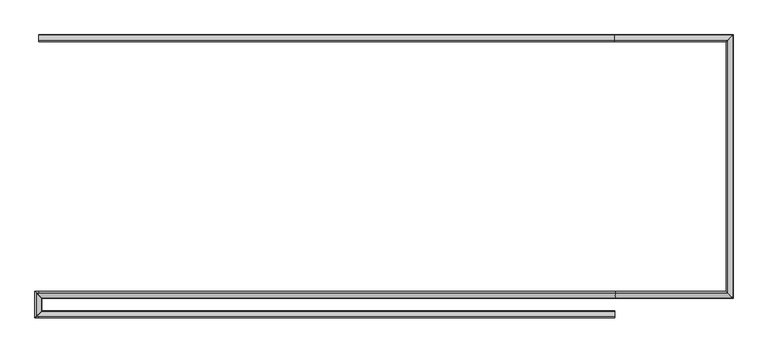
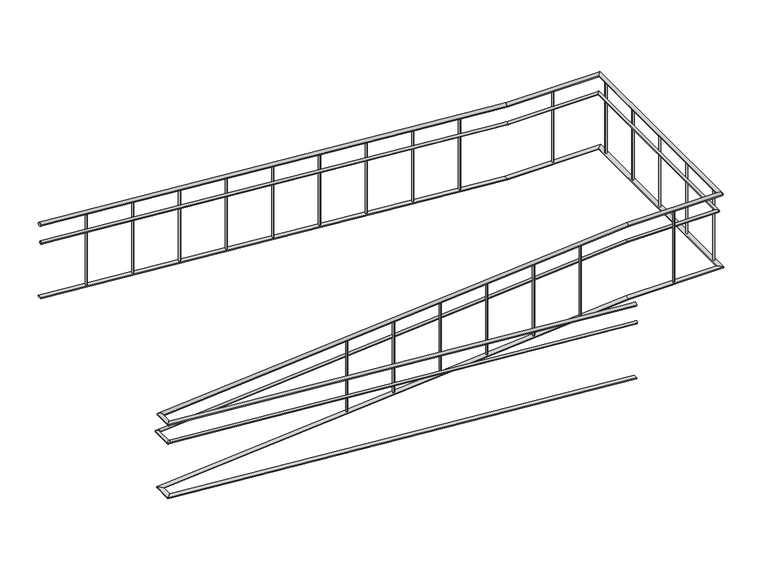
"""IFC4 building model written with IfcOpenShell, lengths in millimetres: railing geometry."""

from ifc_helpers import new_model, si_unit, point, frame, frame_2d, origin, place, context, project, spatial, circle_curve, ellipse_curve, trimmed, segment, composite_curve, outline, extrude, faceted_brep, source, transform, mapped, element, save
from ifc_brep_helpers import plane_surface, cylinder_surface, advanced_brep


def railing_5c5cc280(model_context):
    return source(origin(), model_context, "Body", "SolidModel", [
        advanced_brep(
        [(12860.0112841, -19676.8920513, -320.0638979), (12860.0112841, -19716.8920513, -320.0638979), (7878.3526852, -19676.8920513, 78.46879), (7838.4800741, -19716.8920513, 81.6585989)],
        [
            (0, 1, ellipse_curve(frame((12860.0112841, -19696.8920513, -320.0638979), z_axis=(1.0, 0.0, 0.0), x_axis=(0.0, 0.0, -1.0)), 20.0638979, 20.0)),
            (1, 0, ellipse_curve(frame((12860.0112841, -19696.8920513, -320.0638979), z_axis=(1.0, 0.0, 0.0), x_axis=(0.0, 0.0, -1.0)), 20.0638979, 20.0)),
            (2, 3, ellipse_curve(frame((7858.4163797, -19696.8920513, 80.0636944), z_axis=(-0.7048548430432531, 0.7071067811865457, 0.05638838744346013), x_axis=(0.7048548430432493, 0.7071067811865495, -0.05638838744346004)), 28.2842712, 20.0)),
            (3, 2, ellipse_curve(frame((7858.4163797, -19696.8920513, 80.0636944), z_axis=(-0.7048548430432531, 0.7071067811865457, 0.05638838744346013), x_axis=(0.7048548430432493, 0.7071067811865495, -0.05638838744346004)), 28.2842712, 20.0)),
            (1, 3),
            (2, 0),
        ],
        [
            plane_surface(frame((12860.0112841, -19696.8920513, -300.0), z_axis=(1.0, 0.0, 0.0), x_axis=(0.0, -1.0, 0.0))),
            plane_surface(frame((7860.0112841, -19696.8920513, 100.0), z_axis=(-0.7048548430432531, 0.7071067811865457, 0.05638838744346013), x_axis=(0.70935157026574, 0.7026242841491802, 0.05603092972083302))),
            cylinder_surface(frame((12858.4163797, -19696.8920513, -319.9363056), z_axis=(0.9968152785361251, 0.0, -0.07974522228289), x_axis=(0.0, -1.0, 0.0)), 20.0),
        ],
        [
            (0, [[1, 2]]),
            (1, [[3, 4]]),
            (2, [[-2, 5, -3, 6]]),
            (2, [[-1, -6, -4, -5]]),
        ],
    ),
        advanced_brep(
        [(7880.0112841, -19675.3608413, 80.0), (7840.0112841, -19715.2334525, 80.0), (7880.0112841, -19555.2334525, 80.0), (7840.0112841, -19515.3608413, 80.0)],
        [
            (0, 1, ellipse_curve(frame((7860.0112841, -19695.2971469, 80.0), z_axis=(0.7048548430432531, -0.7071067811865457, -0.05638838744346013), x_axis=(-0.7048548430432493, -0.7071067811865495, 0.05638838744346003)), 28.2842712, 20.0)),
            (1, 0, ellipse_curve(frame((7860.0112841, -19695.2971469, 80.0), z_axis=(0.7048548430432531, -0.7071067811865457, -0.05638838744346013), x_axis=(-0.7048548430432493, -0.7071067811865495, 0.05638838744346003)), 28.2842712, 20.0)),
            (2, 3, ellipse_curve(frame((7860.0112841, -19535.2971469, 80.0), z_axis=(0.7048548430432501, 0.7071067811865488, 0.056388387443460086), x_axis=(0.7048548430432525, -0.7071067811865462, 0.056388387443460086)), 28.2842712, 20.0)),
            (3, 2, ellipse_curve(frame((7860.0112841, -19535.2971469, 80.0), z_axis=(0.7048548430432501, 0.7071067811865488, 0.056388387443460086), x_axis=(0.7048548430432525, -0.7071067811865462, 0.056388387443460086)), 28.2842712, 20.0)),
            (1, 3),
            (2, 0),
        ],
        [
            plane_surface(frame((7860.0112841, -19696.8920513, 100.0), z_axis=(0.7048548430432531, -0.7071067811865457, -0.05638838744346013), x_axis=(0.70935157026574, 0.7026242841491802, 0.05603092972083302))),
            plane_surface(frame((7860.0112841, -19536.8920513, 100.0), z_axis=(0.7048548430432501, 0.7071067811865488, 0.056388387443460086), x_axis=(0.7093515702657431, -0.7026242841491772, -0.0560309297208325))),
            cylinder_surface(frame((7860.0112841, -19696.8920513, 80.0), z_axis=(0.0, -1.0, 0.0), x_axis=(-1.0, 0.0, 0.0)), 20.0),
        ],
        [
            (0, [[1, 2]]),
            (1, [[3, 4]]),
            (2, [[-2, 5, -3, 6]]),
            (2, [[-1, -6, -4, -5]]),
        ],
    ),
        advanced_brep(
        [(7881.5424941, -19556.8920513, 81.6585989), (7841.669883, -19516.8920513, 78.46879), (12860.8100082, -19516.8920513, 480.0), (12860.8100082, -19556.8920513, 480.0), (13840.0112841, -19516.8920513, 480.0), (13880.0112841, -19556.8920513, 480.0), (13840.0112841, -17316.8920513, 480.0), (13880.0112841, -17276.8920513, 480.0), (12859.21256, -17316.8920513, 480.0), (12859.21256, -17276.8920513, 480.0), (7860.0112841, -17276.8920513, 879.9361021), (7860.0112841, -17316.8920513, 879.9361021)],
        [
            (0, 1, ellipse_curve(frame((7861.6061885, -19536.8920513, 80.0636944), z_axis=(-0.7048548430432501, -0.7071067811865488, -0.056388387443460086), x_axis=(-0.704854843043252, 0.7071067811865466, -0.056388387443460086)), 28.2842712, 20.0)),
            (1, 0, ellipse_curve(frame((7861.6061885, -19536.8920513, 80.0636944), z_axis=(-0.7048548430432501, -0.7071067811865488, -0.056388387443460086), x_axis=(-0.704854843043252, 0.7071067811865466, -0.056388387443460086)), 28.2842712, 20.0)),
            (1, 2),
            (2, 3, ellipse_curve(frame((12860.8100082, -19536.8920513, 480.0), z_axis=(-0.9992035024298416, 0.0, -0.03990439489501752), x_axis=(0.03990439489501675, 0.0, -0.9992035024298416)), 20.0159426, 20.0)),
            (3, 0),
            (3, 2, ellipse_curve(frame((12860.8100082, -19536.8920513, 480.0), z_axis=(-0.9992035024298416, 0.0, -0.03990439489501752), x_axis=(0.03990439489501675, 0.0, -0.9992035024298416)), 20.0159426, 20.0)),
            (2, 4),
            (4, 5, ellipse_curve(frame((13860.0112841, -19536.8920513, 480.0), z_axis=(-0.7071067811865462, -0.7071067811865487, 0.0), x_axis=(-0.7071067811865488, 0.7071067811865461, 0.0)), 28.2842712, 20.0)),
            (5, 3),
            (5, 4, ellipse_curve(frame((13860.0112841, -19536.8920513, 480.0), z_axis=(-0.7071067811865462, -0.7071067811865487, 0.0), x_axis=(-0.7071067811865488, 0.7071067811865461, 0.0)), 28.2842712, 20.0)),
            (4, 6),
            (6, 7, ellipse_curve(frame((13860.0112841, -17296.8920513, 480.0), z_axis=(0.7071067811865487, -0.7071067811865462, 0.0), x_axis=(-0.7071067811865461, -0.7071067811865488, 0.0)), 28.2842712, 20.0)),
            (7, 5),
            (7, 6, ellipse_curve(frame((13860.0112841, -17296.8920513, 480.0), z_axis=(0.7071067811865487, -0.7071067811865462, 0.0), x_axis=(-0.7071067811865461, -0.7071067811865488, 0.0)), 28.2842712, 20.0)),
            (6, 8),
            (8, 9, ellipse_curve(frame((12859.21256, -17296.8920513, 480.0), z_axis=(0.9992035024298416, 0.0, -0.03990439489501751), x_axis=(0.039904394895019554, 0.0, 0.9992035024298416)), 20.0159426, 20.0)),
            (9, 7),
            (9, 8, ellipse_curve(frame((12859.21256, -17296.8920513, 480.0), z_axis=(0.9992035024298416, 0.0, -0.03990439489501751), x_axis=(0.039904394895019554, 0.0, 0.9992035024298416)), 20.0159426, 20.0)),
            (10, 11, ellipse_curve(frame((7860.0112841, -17296.8920513, 879.9361021), z_axis=(-1.0, 0.0, 0.0), x_axis=(0.0, 0.0, -1.0)), 20.0638979, 20.0)),
            (11, 10, ellipse_curve(frame((7860.0112841, -17296.8920513, 879.9361021), z_axis=(-1.0, 0.0, 0.0), x_axis=(0.0, 0.0, -1.0)), 20.0638979, 20.0)),
            (8, 11),
            (10, 9),
        ],
        [
            plane_surface(frame((7860.0112841, -19536.8920513, 100.0), z_axis=(-0.7048548430432501, -0.7071067811865488, -0.056388387443460086), x_axis=(0.7093515702657431, -0.7026242841491772, -0.0560309297208325))),
            cylinder_surface(frame((7861.6061885, -19536.8920513, 80.0636944), z_axis=(-0.9968152785361251, 0.0, -0.07974522228289001), x_axis=(0.0, 1.0, 0.0)), 20.0),
            cylinder_surface(frame((12860.0112841, -19536.8920513, 480.0), z_axis=(-1.0, 0.0, 0.0), x_axis=(0.0, 1.0, 0.0)), 20.0),
            cylinder_surface(frame((13860.0112841, -19536.8920513, 480.0), z_axis=(0.0, -1.0, 0.0), x_axis=(-1.0, 0.0, 0.0)), 20.0),
            cylinder_surface(frame((13860.0112841, -17296.8920513, 480.0), z_axis=(1.0, 0.0, 0.0), x_axis=(0.0, -1.0, 0.0)), 20.0),
            plane_surface(frame((7860.0112841, -17296.8920513, 900.0), z_axis=(-1.0, 0.0, 0.0), x_axis=(0.0, -1.0, 0.0))),
            cylinder_surface(frame((12858.4163797, -17296.8920513, 480.0636944), z_axis=(0.9968152785361251, 0.0, -0.07974522228288998), x_axis=(0.0, -1.0, 0.0)), 20.0),
        ],
        [
            (0, [[1, 2]]),
            (1, [[-2, 3, 4, 5]]),
            (1, [[-1, -5, 6, -3]]),
            (2, [[-4, 7, 8, 9]]),
            (2, [[-6, -9, 10, -7]]),
            (3, [[-8, 11, 12, 13]]),
            (3, [[-10, -13, 14, -11]]),
            (4, [[-12, 15, 16, 17]]),
            (4, [[-14, -17, 18, -15]]),
            (5, [[19, 20]]),
            (6, [[-16, 21, -19, 22]]),
            (6, [[-18, -22, -20, -21]]),
        ],
    ),
        advanced_brep(
        [(12860.0112841, -19701.8920513, -515.0479234), (12860.0112841, -19731.8920513, -515.0479234), (7859.412241, -19731.8920513, -115.0), (7859.412241, -19701.8920513, -115.0), (7825.0112841, -19731.8920513, -115.0), (7855.0112841, -19701.8920513, -115.0), (7825.0112841, -19501.8920513, -115.0), (7855.0112841, -19531.8920513, -115.0), (7860.6103272, -19501.8920513, -115.0), (7860.6103272, -19531.8920513, -115.0), (12860.6103272, -19501.8920513, 285.0), (12860.6103272, -19531.8920513, 285.0), (13825.0112841, -19501.8920513, 285.0), (13855.0112841, -19531.8920513, 285.0), (13825.0112841, -17331.8920513, 285.0), (13855.0112841, -17301.8920513, 285.0), (12859.412241, -17331.8920513, 285.0), (12859.412241, -17301.8920513, 285.0), (7860.0112841, -17301.8920513, 684.9520766), (7860.0112841, -17331.8920513, 684.9520766)],
        [
            (0, 1, ellipse_curve(frame((12860.0112841, -19716.8920513, -515.0479234), z_axis=(1.0, 0.0, 0.0), x_axis=(0.0, 0.0, -1.0)), 15.0479234, 15.0)),
            (1, 0, ellipse_curve(frame((12860.0112841, -19716.8920513, -515.0479234), z_axis=(1.0, 0.0, 0.0), x_axis=(0.0, 0.0, -1.0)), 15.0479234, 15.0)),
            (1, 2),
            (2, 3, ellipse_curve(frame((7859.412241, -19716.8920513, -115.0), z_axis=(0.9992035024298416, 0.0, -0.0399043948950175), x_axis=(-0.03990439489501678, 0.0, -0.9992035024298418)), 15.011957, 15.0)),
            (3, 0),
            (3, 2, ellipse_curve(frame((7859.412241, -19716.8920513, -115.0), z_axis=(0.9992035024298416, 0.0, -0.0399043948950175), x_axis=(-0.03990439489501678, 0.0, -0.9992035024298418)), 15.011957, 15.0)),
            (2, 4),
            (4, 5, ellipse_curve(frame((7840.0112841, -19716.8920513, -115.0), z_axis=(0.7071067811865493, -0.7071067811865456, 0.0), x_axis=(0.7071067811865458, 0.7071067811865492, 0.0)), 21.2132034, 15.0)),
            (5, 3),
            (5, 4, ellipse_curve(frame((7840.0112841, -19716.8920513, -115.0), z_axis=(0.7071067811865493, -0.7071067811865456, 0.0), x_axis=(0.7071067811865458, 0.7071067811865492, 0.0)), 21.2132034, 15.0)),
            (4, 6),
            (6, 7, ellipse_curve(frame((7840.0112841, -19516.8920513, -115.0), z_axis=(-0.7071067811865462, -0.7071067811865487, 0.0), x_axis=(0.7071067811865486, -0.7071067811865464, 0.0)), 21.2132034, 15.0)),
            (7, 5),
            (7, 6, ellipse_curve(frame((7840.0112841, -19516.8920513, -115.0), z_axis=(-0.7071067811865462, -0.7071067811865487, 0.0), x_axis=(0.7071067811865486, -0.7071067811865464, 0.0)), 21.2132034, 15.0)),
            (6, 8),
            (8, 9, ellipse_curve(frame((7860.6103272, -19516.8920513, -115.0), z_axis=(-0.9992035024298416, 0.0, -0.03990439489501752), x_axis=(-0.03990439489501954, 0.0, 0.9992035024298416)), 15.011957, 15.0)),
            (9, 7),
            (9, 8, ellipse_curve(frame((7860.6103272, -19516.8920513, -115.0), z_axis=(-0.9992035024298416, 0.0, -0.03990439489501752), x_axis=(-0.03990439489501954, 0.0, 0.9992035024298416)), 15.011957, 15.0)),
            (8, 10),
            (10, 11, ellipse_curve(frame((12860.6103272, -19516.8920513, 285.0), z_axis=(-0.9992035024298416, 0.0, -0.03990439489501752), x_axis=(0.03990439489501675, 0.0, -0.9992035024298416)), 15.011957, 15.0)),
            (11, 9),
            (11, 10, ellipse_curve(frame((12860.6103272, -19516.8920513, 285.0), z_axis=(-0.9992035024298416, 0.0, -0.03990439489501752), x_axis=(0.03990439489501675, 0.0, -0.9992035024298416)), 15.011957, 15.0)),
            (10, 12),
            (12, 13, ellipse_curve(frame((13840.0112841, -19516.8920513, 285.0), z_axis=(-0.7071067811865462, -0.7071067811865487, 0.0), x_axis=(-0.7071067811865488, 0.7071067811865461, 0.0)), 21.2132034, 15.0)),
            (13, 11),
            (13, 12, ellipse_curve(frame((13840.0112841, -19516.8920513, 285.0), z_axis=(-0.7071067811865462, -0.7071067811865487, 0.0), x_axis=(-0.7071067811865488, 0.7071067811865461, 0.0)), 21.2132034, 15.0)),
            (12, 14),
            (14, 15, ellipse_curve(frame((13840.0112841, -17316.8920513, 285.0), z_axis=(0.7071067811865487, -0.7071067811865462, 0.0), x_axis=(-0.7071067811865461, -0.7071067811865488, 0.0)), 21.2132034, 15.0)),
            (15, 13),
            (15, 14, ellipse_curve(frame((13840.0112841, -17316.8920513, 285.0), z_axis=(0.7071067811865487, -0.7071067811865462, 0.0), x_axis=(-0.7071067811865461, -0.7071067811865488, 0.0)), 21.2132034, 15.0)),
            (14, 16),
            (16, 17, ellipse_curve(frame((12859.412241, -17316.8920513, 285.0), z_axis=(0.9992035024298416, 0.0, -0.03990439489501751), x_axis=(0.039904394895019554, 0.0, 0.9992035024298416)), 15.011957, 15.0)),
            (17, 15),
            (17, 16, ellipse_curve(frame((12859.412241, -17316.8920513, 285.0), z_axis=(0.9992035024298416, 0.0, -0.03990439489501751), x_axis=(0.039904394895019554, 0.0, 0.9992035024298416)), 15.011957, 15.0)),
            (18, 19, ellipse_curve(frame((7860.0112841, -17316.8920513, 684.9520766), z_axis=(-1.0, 0.0, 0.0), x_axis=(0.0, 0.0, -1.0)), 15.0479234, 15.0)),
            (19, 18, ellipse_curve(frame((7860.0112841, -17316.8920513, 684.9520766), z_axis=(-1.0, 0.0, 0.0), x_axis=(0.0, 0.0, -1.0)), 15.0479234, 15.0)),
            (16, 19),
            (18, 17),
        ],
        [
            plane_surface(frame((12860.0112841, -19716.8920513, -500.0), z_axis=(1.0, 0.0, 0.0), x_axis=(0.0, -1.0, 0.0))),
            cylinder_surface(frame((12858.8151058, -19716.8920513, -514.9522292), z_axis=(0.9968152785361251, 0.0, -0.07974522228288997), x_axis=(0.0, -1.0, 0.0)), 15.0),
            cylinder_surface(frame((7860.0112841, -19716.8920513, -115.0), z_axis=(1.0, 0.0, 0.0), x_axis=(0.0, -1.0, 0.0)), 15.0),
            cylinder_surface(frame((7840.0112841, -19716.8920513, -115.0), z_axis=(0.0, -1.0, 0.0), x_axis=(-1.0, 0.0, 0.0)), 15.0),
            cylinder_surface(frame((7840.0112841, -19516.8920513, -115.0), z_axis=(-1.0, 0.0, 0.0), x_axis=(0.0, 1.0, 0.0)), 15.0),
            cylinder_surface(frame((7861.2074624, -19516.8920513, -114.9522292), z_axis=(-0.9968152785361251, 0.0, -0.07974522228289001), x_axis=(0.0, 1.0, 0.0)), 15.0),
            cylinder_surface(frame((12860.0112841, -19516.8920513, 285.0), z_axis=(-1.0, 0.0, 0.0), x_axis=(0.0, 1.0, 0.0)), 15.0),
            cylinder_surface(frame((13840.0112841, -19516.8920513, 285.0), z_axis=(0.0, -1.0, 0.0), x_axis=(-1.0, 0.0, 0.0)), 15.0),
            cylinder_surface(frame((13840.0112841, -17316.8920513, 285.0), z_axis=(1.0, 0.0, 0.0), x_axis=(0.0, -1.0, 0.0)), 15.0),
            plane_surface(frame((7860.0112841, -17316.8920513, 700.0), z_axis=(-1.0, 0.0, 0.0), x_axis=(0.0, -1.0, 0.0))),
            cylinder_surface(frame((12858.8151058, -17316.8920513, 285.0477708), z_axis=(0.9968152785361251, 0.0, -0.07974522228288998), x_axis=(0.0, -1.0, 0.0)), 15.0),
        ],
        [
            (0, [[1, 2]]),
            (1, [[-2, 3, 4, 5]]),
            (1, [[-1, -5, 6, -3]]),
            (2, [[-4, 7, 8, 9]]),
            (2, [[-6, -9, 10, -7]]),
            (3, [[-8, 11, 12, 13]]),
            (3, [[-10, -13, 14, -11]]),
            (4, [[-12, 15, 16, 17]]),
            (4, [[-14, -17, 18, -15]]),
            (5, [[-16, 19, 20, 21]]),
            (5, [[-18, -21, 22, -19]]),
            (6, [[-20, 23, 24, 25]]),
            (6, [[-22, -25, 26, -23]]),
            (7, [[-24, 27, 28, 29]]),
            (7, [[-26, -29, 30, -27]]),
            (8, [[-28, 31, 32, 33]]),
            (8, [[-30, -33, 34, -31]]),
            (9, [[35, 36]]),
            (10, [[-32, 37, -35, 38]]),
            (10, [[-34, -38, -36, -37]]),
        ],
    ),
        faceted_brep([(12860.0112841, -19721.8920513, -1140.0), (12860.0112841, -19721.8920513, -1150.031949), (12860.0112841, -19671.8920513, -1150.031949), (12860.0112841, -19671.8920513, -1140.0), (7835.0909021, -19721.8920513, -738.0063694), (7884.9316661, -19671.8920513, -741.9936306), (7884.1342138, -19671.8920513, -751.9617833), (7834.2934499, -19721.8920513, -747.9745222)], [[[0, 1, 2, 3]], [[4, 5, 6, 7]], [[0, 3, 5, 4]], [[3, 2, 6, 5]], [[2, 1, 7, 6]], [[1, 0, 4, 7]]]),
        faceted_brep([(7835.0112841, -19721.8124333, -740.0), (7835.0112841, -19721.0149811, -750.0), (7885.0112841, -19671.1742172, -750.0), (7885.0112841, -19671.9716694, -740.0), (7835.0112841, -19511.9716694, -740.0), (7885.0112841, -19561.8124333, -740.0), (7885.0112841, -19561.0149811, -750.0), (7835.0112841, -19511.1742172, -750.0)], [[[0, 1, 2, 3]], [[4, 5, 6, 7]], [[0, 3, 5, 4]], [[3, 2, 6, 5]], [[2, 1, 7, 6]], [[1, 0, 4, 7]]]),
        faceted_brep([(7835.0909021, -19511.8920513, -741.9936306), (7835.8883544, -19511.8920513, -751.9617833), (7885.7291183, -19561.8920513, -747.9745222), (7884.9316661, -19561.8920513, -738.0063694), (12860.0112841, -19561.8920513, -340.0), (12860.0112841, -19511.8920513, -340.0), (12860.4106461, -19561.8920513, -350.0), (12860.4106461, -19511.8920513, -350.0), (13885.0112841, -19561.8920513, -340.0), (13835.0112841, -19511.8920513, -340.0), (13885.0112841, -19561.8920513, -350.0), (13835.0112841, -19511.8920513, -350.0), (13885.0112841, -17271.8920513, -340.0), (13835.0112841, -17321.8920513, -340.0), (13885.0112841, -17271.8920513, -350.0), (13835.0112841, -17321.8920513, -350.0), (12860.0112841, -17271.8920513, -340.0), (12860.0112841, -17321.8920513, -340.0), (12859.6119221, -17271.8920513, -350.0), (12859.6119221, -17321.8920513, -350.0), (7860.0112841, -17321.8920513, 60.0), (7860.0112841, -17271.8920513, 60.0), (7860.0112841, -17271.8920513, 49.968051), (7860.0112841, -17321.8920513, 49.968051)], [[[0, 1, 2, 3]], [[0, 3, 4, 5]], [[3, 2, 6, 4]], [[2, 1, 7, 6]], [[1, 0, 5, 7]], [[5, 4, 8, 9]], [[4, 6, 10, 8]], [[6, 7, 11, 10]], [[7, 5, 9, 11]], [[9, 8, 12, 13]], [[8, 10, 14, 12]], [[10, 11, 15, 14]], [[11, 9, 13, 15]], [[13, 12, 16, 17]], [[12, 14, 18, 16]], [[14, 15, 19, 18]], [[15, 13, 17, 19]], [[20, 21, 22, 23]], [[17, 16, 21, 20]], [[16, 18, 22, 21]], [[18, 19, 23, 22]], [[19, 17, 20, 23]]]),
        advanced_brep(
        [(8360.0112841, -17306.8920513, 819.8722041), (8360.0112841, -17286.8920513, 819.8722041), (8360.0112841, -17286.8920513, 20.0), (8360.0112841, -17306.8920513, 20.0)],
        [
            (0, 1, ellipse_curve(frame((8360.0112841, -17296.8920513, 819.8722041), z_axis=(-0.07974522228288877, 0.0, -0.9968152785361252), x_axis=(-0.9968152785361252, 0.0, 0.07974522228288722)), 10.031949, 10.0)),
            (1, 2),
            (2, 3, ellipse_curve(frame((8360.0112841, -17296.8920513, 20.0), z_axis=(0.07974522228288976, 0.0, 0.9968152785361251), x_axis=(-0.9968152785361251, 0.0, 0.07974522228288902)), 10.031949, 10.0)),
            (3, 0),
            (3, 2, ellipse_curve(frame((8360.0112841, -17296.8920513, 20.0), z_axis=(0.07974522228288976, 0.0, 0.9968152785361251), x_axis=(-0.9968152785361251, 0.0, 0.07974522228288902)), 10.031949, 10.0)),
            (1, 0, ellipse_curve(frame((8360.0112841, -17296.8920513, 819.8722041), z_axis=(-0.07974522228288877, 0.0, -0.9968152785361252), x_axis=(-0.9968152785361252, 0.0, 0.07974522228288722)), 10.031949, 10.0)),
        ],
        [
            cylinder_surface(frame((8360.0112841, -17296.8920513, -80.0), z_axis=(0.0, 0.0, 1.0), x_axis=(0.0, 1.0, 0.0)), 10.0),
            plane_surface(frame((8340.0112841, -17276.8920513, 821.4722041), z_axis=(0.07974522228288877, 0.0, 0.9968152785361252), x_axis=(0.0, -1.0, 0.0))),
            plane_surface(frame((8380.0112841, -17276.8920513, 18.4), z_axis=(-0.07974522228288976, 0.0, -0.9968152785361251), x_axis=(0.0, -1.0, 0.0))),
        ],
        [
            (0, [[1, 2, 3, 4]]),
            (0, [[5, -2, 6, -4]]),
            (1, [[-6, -1]]),
            (2, [[-5, -3]]),
        ],
    ),
        advanced_brep(
        [(8860.0112841, -17306.8920513, 779.8722041), (8860.0112841, -17286.8920513, 779.8722041), (8860.0112841, -17286.8920513, -20.0), (8860.0112841, -17306.8920513, -20.0)],
        [
            (0, 1, ellipse_curve(frame((8860.0112841, -17296.8920513, 779.8722041), z_axis=(-0.07974522228288877, 0.0, -0.9968152785361252), x_axis=(-0.9968152785361252, 0.0, 0.07974522228288722)), 10.031949, 10.0)),
            (1, 2),
            (2, 3, ellipse_curve(frame((8860.0112841, -17296.8920513, -20.0), z_axis=(0.07974522228288976, 0.0, 0.9968152785361251), x_axis=(-0.9968152785361251, 0.0, 0.07974522228288902)), 10.031949, 10.0)),
            (3, 0),
            (3, 2, ellipse_curve(frame((8860.0112841, -17296.8920513, -20.0), z_axis=(0.07974522228288976, 0.0, 0.9968152785361251), x_axis=(-0.9968152785361251, 0.0, 0.07974522228288902)), 10.031949, 10.0)),
            (1, 0, ellipse_curve(frame((8860.0112841, -17296.8920513, 779.8722041), z_axis=(-0.07974522228288877, 0.0, -0.9968152785361252), x_axis=(-0.9968152785361252, 0.0, 0.07974522228288722)), 10.031949, 10.0)),
        ],
        [
            cylinder_surface(frame((8860.0112841, -17296.8920513, -120.0), z_axis=(0.0, 0.0, 1.0), x_axis=(0.0, 1.0, 0.0)), 10.0),
            plane_surface(frame((8840.0112841, -17276.8920513, 781.4722041), z_axis=(0.07974522228288877, 0.0, 0.9968152785361252), x_axis=(0.0, -1.0, 0.0))),
            plane_surface(frame((8880.0112841, -17276.8920513, -21.6), z_axis=(-0.07974522228288976, 0.0, -0.9968152785361251), x_axis=(0.0, -1.0, 0.0))),
        ],
        [
            (0, [[1, 2, 3, 4]]),
            (0, [[5, -2, 6, -4]]),
            (1, [[-6, -1]]),
            (2, [[-5, -3]]),
        ],
    ),
        advanced_brep(
        [(9360.0112841, -17306.8920513, 739.8722041), (9360.0112841, -17286.8920513, 739.8722041), (9360.0112841, -17286.8920513, -60.0), (9360.0112841, -17306.8920513, -60.0)],
        [
            (0, 1, ellipse_curve(frame((9360.0112841, -17296.8920513, 739.8722041), z_axis=(-0.07974522228288877, 0.0, -0.9968152785361252), x_axis=(-0.9968152785361252, 0.0, 0.07974522228288722)), 10.031949, 10.0)),
            (1, 2),
            (2, 3, ellipse_curve(frame((9360.0112841, -17296.8920513, -60.0), z_axis=(0.07974522228288976, 0.0, 0.9968152785361251), x_axis=(-0.9968152785361251, 0.0, 0.07974522228288902)), 10.031949, 10.0)),
            (3, 0),
            (3, 2, ellipse_curve(frame((9360.0112841, -17296.8920513, -60.0), z_axis=(0.07974522228288976, 0.0, 0.9968152785361251), x_axis=(-0.9968152785361251, 0.0, 0.07974522228288902)), 10.031949, 10.0)),
            (1, 0, ellipse_curve(frame((9360.0112841, -17296.8920513, 739.8722041), z_axis=(-0.07974522228288877, 0.0, -0.9968152785361252), x_axis=(-0.9968152785361252, 0.0, 0.07974522228288722)), 10.031949, 10.0)),
        ],
        [
            cylinder_surface(frame((9360.0112841, -17296.8920513, -160.0), z_axis=(0.0, 0.0, 1.0), x_axis=(0.0, 1.0, 0.0)), 10.0),
            plane_surface(frame((9340.0112841, -17276.8920513, 741.4722041), z_axis=(0.07974522228288877, 0.0, 0.9968152785361252), x_axis=(0.0, -1.0, 0.0))),
            plane_surface(frame((9380.0112841, -17276.8920513, -61.6), z_axis=(-0.07974522228288976, 0.0, -0.9968152785361251), x_axis=(0.0, -1.0, 0.0))),
        ],
        [
            (0, [[1, 2, 3, 4]]),
            (0, [[5, -2, 6, -4]]),
            (1, [[-6, -1]]),
            (2, [[-5, -3]]),
        ],
    ),
        advanced_brep(
        [(9860.0112841, -17306.8920513, 699.8722041), (9860.0112841, -17286.8920513, 699.8722041), (9860.0112841, -17286.8920513, -100.0), (9860.0112841, -17306.8920513, -100.0)],
        [
            (0, 1, ellipse_curve(frame((9860.0112841, -17296.8920513, 699.8722041), z_axis=(-0.07974522228288877, 0.0, -0.9968152785361252), x_axis=(-0.9968152785361252, 0.0, 0.07974522228288722)), 10.031949, 10.0)),
            (1, 2),
            (2, 3, ellipse_curve(frame((9860.0112841, -17296.8920513, -100.0), z_axis=(0.07974522228288976, 0.0, 0.9968152785361251), x_axis=(-0.9968152785361251, 0.0, 0.07974522228288902)), 10.031949, 10.0)),
            (3, 0),
            (3, 2, ellipse_curve(frame((9860.0112841, -17296.8920513, -100.0), z_axis=(0.07974522228288976, 0.0, 0.9968152785361251), x_axis=(-0.9968152785361251, 0.0, 0.07974522228288902)), 10.031949, 10.0)),
            (1, 0, ellipse_curve(frame((9860.0112841, -17296.8920513, 699.8722041), z_axis=(-0.07974522228288877, 0.0, -0.9968152785361252), x_axis=(-0.9968152785361252, 0.0, 0.07974522228288722)), 10.031949, 10.0)),
        ],
        [
            cylinder_surface(frame((9860.0112841, -17296.8920513, -200.0), z_axis=(0.0, 0.0, 1.0), x_axis=(0.0, 1.0, 0.0)), 10.0),
            plane_surface(frame((9840.0112841, -17276.8920513, 701.4722041), z_axis=(0.07974522228288877, 0.0, 0.9968152785361252), x_axis=(0.0, -1.0, 0.0))),
            plane_surface(frame((9880.0112841, -17276.8920513, -101.6), z_axis=(-0.07974522228288976, 0.0, -0.9968152785361251), x_axis=(0.0, -1.0, 0.0))),
        ],
        [
            (0, [[1, 2, 3, 4]]),
            (0, [[5, -2, 6, -4]]),
            (1, [[-6, -1]]),
            (2, [[-5, -3]]),
        ],
    ),
        advanced_brep(
        [(10360.0112841, -17306.8920513, 659.8722041), (10360.0112841, -17286.8920513, 659.8722041), (10360.0112841, -17286.8920513, -140.0), (10360.0112841, -17306.8920513, -140.0)],
        [
            (0, 1, ellipse_curve(frame((10360.0112841, -17296.8920513, 659.8722041), z_axis=(-0.07974522228288877, 0.0, -0.9968152785361252), x_axis=(-0.9968152785361252, 0.0, 0.07974522228288722)), 10.031949, 10.0)),
            (1, 2),
            (2, 3, ellipse_curve(frame((10360.0112841, -17296.8920513, -140.0), z_axis=(0.07974522228288976, 0.0, 0.9968152785361251), x_axis=(-0.9968152785361251, 0.0, 0.07974522228288902)), 10.031949, 10.0)),
            (3, 0),
            (3, 2, ellipse_curve(frame((10360.0112841, -17296.8920513, -140.0), z_axis=(0.07974522228288976, 0.0, 0.9968152785361251), x_axis=(-0.9968152785361251, 0.0, 0.07974522228288902)), 10.031949, 10.0)),
            (1, 0, ellipse_curve(frame((10360.0112841, -17296.8920513, 659.8722041), z_axis=(-0.07974522228288877, 0.0, -0.9968152785361252), x_axis=(-0.9968152785361252, 0.0, 0.07974522228288722)), 10.031949, 10.0)),
        ],
        [
            cylinder_surface(frame((10360.0112841, -17296.8920513, -240.0), z_axis=(0.0, 0.0, 1.0), x_axis=(0.0, 1.0, 0.0)), 10.0),
            plane_surface(frame((10340.0112841, -17276.8920513, 661.4722041), z_axis=(0.07974522228288877, 0.0, 0.9968152785361252), x_axis=(0.0, -1.0, 0.0))),
            plane_surface(frame((10380.0112841, -17276.8920513, -141.6), z_axis=(-0.07974522228288976, 0.0, -0.9968152785361251), x_axis=(0.0, -1.0, 0.0))),
        ],
        [
            (0, [[1, 2, 3, 4]]),
            (0, [[5, -2, 6, -4]]),
            (1, [[-6, -1]]),
            (2, [[-5, -3]]),
        ],
    ),
        advanced_brep(
        [(10860.0112841, -17306.8920513, 619.8722041), (10860.0112841, -17286.8920513, 619.8722041), (10860.0112841, -17286.8920513, -180.0), (10860.0112841, -17306.8920513, -180.0)],
        [
            (0, 1, ellipse_curve(frame((10860.0112841, -17296.8920513, 619.8722041), z_axis=(-0.07974522228288877, 0.0, -0.9968152785361252), x_axis=(-0.9968152785361252, 0.0, 0.07974522228288722)), 10.031949, 10.0)),
            (1, 2),
            (2, 3, ellipse_curve(frame((10860.0112841, -17296.8920513, -180.0), z_axis=(0.07974522228288976, 0.0, 0.9968152785361251), x_axis=(-0.9968152785361251, 0.0, 0.07974522228288902)), 10.031949, 10.0)),
            (3, 0),
            (3, 2, ellipse_curve(frame((10860.0112841, -17296.8920513, -180.0), z_axis=(0.07974522228288976, 0.0, 0.9968152785361251), x_axis=(-0.9968152785361251, 0.0, 0.07974522228288902)), 10.031949, 10.0)),
            (1, 0, ellipse_curve(frame((10860.0112841, -17296.8920513, 619.8722041), z_axis=(-0.07974522228288877, 0.0, -0.9968152785361252), x_axis=(-0.9968152785361252, 0.0, 0.07974522228288722)), 10.031949, 10.0)),
        ],
        [
            cylinder_surface(frame((10860.0112841, -17296.8920513, -280.0), z_axis=(0.0, 0.0, 1.0), x_axis=(0.0, 1.0, 0.0)), 10.0),
            plane_surface(frame((10840.0112841, -17276.8920513, 621.4722041), z_axis=(0.07974522228288877, 0.0, 0.9968152785361252), x_axis=(0.0, -1.0, 0.0))),
            plane_surface(frame((10880.0112841, -17276.8920513, -181.6), z_axis=(-0.07974522228288976, 0.0, -0.9968152785361251), x_axis=(0.0, -1.0, 0.0))),
        ],
        [
            (0, [[1, 2, 3, 4]]),
            (0, [[5, -2, 6, -4]]),
            (1, [[-6, -1]]),
            (2, [[-5, -3]]),
        ],
    ),
        advanced_brep(
        [(11360.0112841, -17306.8920513, 579.8722041), (11360.0112841, -17286.8920513, 579.8722041), (11360.0112841, -17286.8920513, -220.0), (11360.0112841, -17306.8920513, -220.0)],
        [
            (0, 1, ellipse_curve(frame((11360.0112841, -17296.8920513, 579.8722041), z_axis=(-0.07974522228288877, 0.0, -0.9968152785361252), x_axis=(-0.9968152785361252, 0.0, 0.07974522228288722)), 10.031949, 10.0)),
            (1, 2),
            (2, 3, ellipse_curve(frame((11360.0112841, -17296.8920513, -220.0), z_axis=(0.07974522228288976, 0.0, 0.9968152785361251), x_axis=(-0.9968152785361251, 0.0, 0.07974522228288902)), 10.031949, 10.0)),
            (3, 0),
            (3, 2, ellipse_curve(frame((11360.0112841, -17296.8920513, -220.0), z_axis=(0.07974522228288976, 0.0, 0.9968152785361251), x_axis=(-0.9968152785361251, 0.0, 0.07974522228288902)), 10.031949, 10.0)),
            (1, 0, ellipse_curve(frame((11360.0112841, -17296.8920513, 579.8722041), z_axis=(-0.07974522228288877, 0.0, -0.9968152785361252), x_axis=(-0.9968152785361252, 0.0, 0.07974522228288722)), 10.031949, 10.0)),
        ],
        [
            cylinder_surface(frame((11360.0112841, -17296.8920513, -320.0), z_axis=(0.0, 0.0, 1.0), x_axis=(0.0, 1.0, 0.0)), 10.0),
            plane_surface(frame((11340.0112841, -17276.8920513, 581.4722041), z_axis=(0.07974522228288877, 0.0, 0.9968152785361252), x_axis=(0.0, -1.0, 0.0))),
            plane_surface(frame((11380.0112841, -17276.8920513, -221.6), z_axis=(-0.07974522228288976, 0.0, -0.9968152785361251), x_axis=(0.0, -1.0, 0.0))),
        ],
        [
            (0, [[1, 2, 3, 4]]),
            (0, [[5, -2, 6, -4]]),
            (1, [[-6, -1]]),
            (2, [[-5, -3]]),
        ],
    ),
        advanced_brep(
        [(11860.0112841, -17306.8920513, 539.8722041), (11860.0112841, -17286.8920513, 539.8722041), (11860.0112841, -17286.8920513, -260.0), (11860.0112841, -17306.8920513, -260.0)],
        [
            (0, 1, ellipse_curve(frame((11860.0112841, -17296.8920513, 539.8722041), z_axis=(-0.07974522228288877, 0.0, -0.9968152785361252), x_axis=(-0.9968152785361252, 0.0, 0.07974522228288722)), 10.031949, 10.0)),
            (1, 2),
            (2, 3, ellipse_curve(frame((11860.0112841, -17296.8920513, -260.0), z_axis=(0.07974522228288976, 0.0, 0.9968152785361251), x_axis=(-0.9968152785361251, 0.0, 0.07974522228288902)), 10.031949, 10.0)),
            (3, 0),
            (3, 2, ellipse_curve(frame((11860.0112841, -17296.8920513, -260.0), z_axis=(0.07974522228288976, 0.0, 0.9968152785361251), x_axis=(-0.9968152785361251, 0.0, 0.07974522228288902)), 10.031949, 10.0)),
            (1, 0, ellipse_curve(frame((11860.0112841, -17296.8920513, 539.8722041), z_axis=(-0.07974522228288877, 0.0, -0.9968152785361252), x_axis=(-0.9968152785361252, 0.0, 0.07974522228288722)), 10.031949, 10.0)),
        ],
        [
            cylinder_surface(frame((11860.0112841, -17296.8920513, -360.0), z_axis=(0.0, 0.0, 1.0), x_axis=(0.0, 1.0, 0.0)), 10.0),
            plane_surface(frame((11840.0112841, -17276.8920513, 541.4722041), z_axis=(0.07974522228288877, 0.0, 0.9968152785361252), x_axis=(0.0, -1.0, 0.0))),
            plane_surface(frame((11880.0112841, -17276.8920513, -261.6), z_axis=(-0.07974522228288976, 0.0, -0.9968152785361251), x_axis=(0.0, -1.0, 0.0))),
        ],
        [
            (0, [[1, 2, 3, 4]]),
            (0, [[5, -2, 6, -4]]),
            (1, [[-6, -1]]),
            (2, [[-5, -3]]),
        ],
    ),
        advanced_brep(
        [(12360.0112841, -17306.8920513, 499.8722041), (12360.0112841, -17286.8920513, 499.8722041), (12360.0112841, -17286.8920513, -300.0), (12360.0112841, -17306.8920513, -300.0)],
        [
            (0, 1, ellipse_curve(frame((12360.0112841, -17296.8920513, 499.8722041), z_axis=(-0.07974522228288877, 0.0, -0.9968152785361252), x_axis=(-0.9968152785361252, 0.0, 0.07974522228288722)), 10.031949, 10.0)),
            (1, 2),
            (2, 3, ellipse_curve(frame((12360.0112841, -17296.8920513, -300.0), z_axis=(0.07974522228288976, 0.0, 0.9968152785361251), x_axis=(-0.9968152785361251, 0.0, 0.07974522228288902)), 10.031949, 10.0)),
            (3, 0),
            (3, 2, ellipse_curve(frame((12360.0112841, -17296.8920513, -300.0), z_axis=(0.07974522228288976, 0.0, 0.9968152785361251), x_axis=(-0.9968152785361251, 0.0, 0.07974522228288902)), 10.031949, 10.0)),
            (1, 0, ellipse_curve(frame((12360.0112841, -17296.8920513, 499.8722041), z_axis=(-0.07974522228288877, 0.0, -0.9968152785361252), x_axis=(-0.9968152785361252, 0.0, 0.07974522228288722)), 10.031949, 10.0)),
        ],
        [
            cylinder_surface(frame((12360.0112841, -17296.8920513, -400.0), z_axis=(0.0, 0.0, 1.0), x_axis=(0.0, 1.0, 0.0)), 10.0),
            plane_surface(frame((12340.0112841, -17276.8920513, 501.4722041), z_axis=(0.07974522228288877, 0.0, 0.9968152785361252), x_axis=(0.0, -1.0, 0.0))),
            plane_surface(frame((12380.0112841, -17276.8920513, -301.6), z_axis=(-0.07974522228288976, 0.0, -0.9968152785361251), x_axis=(0.0, -1.0, 0.0))),
        ],
        [
            (0, [[1, 2, 3, 4]]),
            (0, [[5, -2, 6, -4]]),
            (1, [[-6, -1]]),
            (2, [[-5, -3]]),
        ],
    ),
        extrude(outline(composite_curve([segment(trimmed(circle_curve(frame_2d((13360.0112841, -17296.8920513)), 10.0), [point((13360.0112841, -17286.8920513))], [point((13360.0112841, -17306.8920513))], False, "CARTESIAN"), True, "CONTINUOUS"), segment(trimmed(circle_curve(frame_2d((13360.0112841, -17296.8920513)), 10.0), [point((13360.0112841, -17306.8920513))], [point((13360.0112841, -17286.8920513))], False, "CARTESIAN"), True, "CONTINUOUS")], self_intersect=False)), frame((0.0, 0.0, -340.0), z_axis=(0.0, 0.0, 1.0), x_axis=(1.0, 0.0, 0.0)), (0.0, 0.0, 1.0), 800.0),
        extrude(outline(composite_curve([segment(trimmed(circle_curve(frame_2d((13860.0112841, -17416.8920513)), 10.0), [point((13870.0112841, -17416.8920513))], [point((13850.0112841, -17416.8920513))], False, "CARTESIAN"), True, "CONTINUOUS"), segment(trimmed(circle_curve(frame_2d((13860.0112841, -17416.8920513)), 10.0), [point((13850.0112841, -17416.8920513))], [point((13870.0112841, -17416.8920513))], False, "CARTESIAN"), True, "CONTINUOUS")], self_intersect=False)), frame((0.0, 0.0, -340.0), z_axis=(0.0, 0.0, 1.0), x_axis=(1.0, 0.0, 0.0)), (0.0, 0.0, 1.0), 800.0),
        extrude(outline(composite_curve([segment(trimmed(circle_curve(frame_2d((13860.0112841, -17916.8920513)), 10.0), [point((13870.0112841, -17916.8920513))], [point((13850.0112841, -17916.8920513))], False, "CARTESIAN"), True, "CONTINUOUS"), segment(trimmed(circle_curve(frame_2d((13860.0112841, -17916.8920513)), 10.0), [point((13850.0112841, -17916.8920513))], [point((13870.0112841, -17916.8920513))], False, "CARTESIAN"), True, "CONTINUOUS")], self_intersect=False)), frame((0.0, 0.0, -340.0), z_axis=(0.0, 0.0, 1.0), x_axis=(1.0, 0.0, 0.0)), (0.0, 0.0, 1.0), 800.0),
        extrude(outline(composite_curve([segment(trimmed(circle_curve(frame_2d((13860.0112841, -18416.8920513)), 10.0), [point((13870.0112841, -18416.8920513))], [point((13850.0112841, -18416.8920513))], False, "CARTESIAN"), True, "CONTINUOUS"), segment(trimmed(circle_curve(frame_2d((13860.0112841, -18416.8920513)), 10.0), [point((13850.0112841, -18416.8920513))], [point((13870.0112841, -18416.8920513))], False, "CARTESIAN"), True, "CONTINUOUS")], self_intersect=False)), frame((0.0, 0.0, -340.0), z_axis=(0.0, 0.0, 1.0), x_axis=(1.0, 0.0, 0.0)), (0.0, 0.0, 1.0), 800.0),
        extrude(outline(composite_curve([segment(trimmed(circle_curve(frame_2d((13860.0112841, -18916.8920513)), 10.0), [point((13870.0112841, -18916.8920513))], [point((13850.0112841, -18916.8920513))], False, "CARTESIAN"), True, "CONTINUOUS"), segment(trimmed(circle_curve(frame_2d((13860.0112841, -18916.8920513)), 10.0), [point((13850.0112841, -18916.8920513))], [point((13870.0112841, -18916.8920513))], False, "CARTESIAN"), True, "CONTINUOUS")], self_intersect=False)), frame((0.0, 0.0, -340.0), z_axis=(0.0, 0.0, 1.0), x_axis=(1.0, 0.0, 0.0)), (0.0, 0.0, 1.0), 800.0),
        extrude(outline(composite_curve([segment(trimmed(circle_curve(frame_2d((13860.0112841, -19416.8920513)), 10.0), [point((13870.0112841, -19416.8920513))], [point((13850.0112841, -19416.8920513))], False, "CARTESIAN"), True, "CONTINUOUS"), segment(trimmed(circle_curve(frame_2d((13860.0112841, -19416.8920513)), 10.0), [point((13850.0112841, -19416.8920513))], [point((13870.0112841, -19416.8920513))], False, "CARTESIAN"), True, "CONTINUOUS")], self_intersect=False)), frame((0.0, 0.0, -340.0), z_axis=(0.0, 0.0, 1.0), x_axis=(1.0, 0.0, 0.0)), (0.0, 0.0, 1.0), 800.0),
        extrude(outline(composite_curve([segment(trimmed(circle_curve(frame_2d((13360.0112841, -19536.8920513)), 10.0), [point((13360.0112841, -19546.8920513))], [point((13360.0112841, -19526.8920513))], False, "CARTESIAN"), True, "CONTINUOUS"), segment(trimmed(circle_curve(frame_2d((13360.0112841, -19536.8920513)), 10.0), [point((13360.0112841, -19526.8920513))], [point((13360.0112841, -19546.8920513))], False, "CARTESIAN"), True, "CONTINUOUS")], self_intersect=False)), frame((0.0, 0.0, -340.0), z_axis=(0.0, 0.0, 1.0), x_axis=(1.0, 0.0, 0.0)), (0.0, 0.0, 1.0), 800.0),
        advanced_brep(
        [(12360.0112841, -19526.8920513, 419.8722041), (12360.0112841, -19546.8920513, 419.8722041), (12360.0112841, -19546.8920513, -380.0), (12360.0112841, -19526.8920513, -380.0)],
        [
            (0, 1, ellipse_curve(frame((12360.0112841, -19536.8920513, 419.8722041), z_axis=(0.07974522228288877, 0.0, -0.9968152785361252), x_axis=(0.9968152785361252, 0.0, 0.07974522228288722)), 10.031949, 10.0)),
            (1, 2),
            (2, 3, ellipse_curve(frame((12360.0112841, -19536.8920513, -380.0), z_axis=(-0.07974522228288976, 0.0, 0.9968152785361251), x_axis=(0.9968152785361251, 0.0, 0.07974522228288902)), 10.031949, 10.0)),
            (3, 0),
            (3, 2, ellipse_curve(frame((12360.0112841, -19536.8920513, -380.0), z_axis=(-0.07974522228288976, 0.0, 0.9968152785361251), x_axis=(0.9968152785361251, 0.0, 0.07974522228288902)), 10.031949, 10.0)),
            (1, 0, ellipse_curve(frame((12360.0112841, -19536.8920513, 419.8722041), z_axis=(0.07974522228288877, 0.0, -0.9968152785361252), x_axis=(0.9968152785361252, 0.0, 0.07974522228288722)), 10.031949, 10.0)),
        ],
        [
            cylinder_surface(frame((12360.0112841, -19536.8920513, -480.0), z_axis=(0.0, 0.0, 1.0), x_axis=(0.0, -1.0, 0.0)), 10.0),
            plane_surface(frame((12380.0112841, -19556.8920513, 421.4722041), z_axis=(-0.07974522228288877, 0.0, 0.9968152785361252), x_axis=(0.0, 1.0, 0.0))),
            plane_surface(frame((12340.0112841, -19556.8920513, -381.6), z_axis=(0.07974522228288976, 0.0, -0.9968152785361251), x_axis=(0.0, 1.0, 0.0))),
        ],
        [
            (0, [[1, 2, 3, 4]]),
            (0, [[5, -2, 6, -4]]),
            (1, [[-6, -1]]),
            (2, [[-5, -3]]),
        ],
    ),
        advanced_brep(
        [(11860.0112841, -19526.8920513, 379.8722041), (11860.0112841, -19546.8920513, 379.8722041), (11860.0112841, -19546.8920513, -420.0), (11860.0112841, -19526.8920513, -420.0)],
        [
            (0, 1, ellipse_curve(frame((11860.0112841, -19536.8920513, 379.8722041), z_axis=(0.07974522228288877, 0.0, -0.9968152785361252), x_axis=(0.9968152785361252, 0.0, 0.07974522228288722)), 10.031949, 10.0)),
            (1, 2),
            (2, 3, ellipse_curve(frame((11860.0112841, -19536.8920513, -420.0), z_axis=(-0.07974522228288976, 0.0, 0.9968152785361251), x_axis=(0.9968152785361251, 0.0, 0.07974522228288902)), 10.031949, 10.0)),
            (3, 0),
            (3, 2, ellipse_curve(frame((11860.0112841, -19536.8920513, -420.0), z_axis=(-0.07974522228288976, 0.0, 0.9968152785361251), x_axis=(0.9968152785361251, 0.0, 0.07974522228288902)), 10.031949, 10.0)),
            (1, 0, ellipse_curve(frame((11860.0112841, -19536.8920513, 379.8722041), z_axis=(0.07974522228288877, 0.0, -0.9968152785361252), x_axis=(0.9968152785361252, 0.0, 0.07974522228288722)), 10.031949, 10.0)),
        ],
        [
            cylinder_surface(frame((11860.0112841, -19536.8920513, -520.0), z_axis=(0.0, 0.0, 1.0), x_axis=(0.0, -1.0, 0.0)), 10.0),
            plane_surface(frame((11880.0112841, -19556.8920513, 381.4722041), z_axis=(-0.07974522228288877, 0.0, 0.9968152785361252), x_axis=(0.0, 1.0, 0.0))),
            plane_surface(frame((11840.0112841, -19556.8920513, -421.6), z_axis=(0.07974522228288976, 0.0, -0.9968152785361251), x_axis=(0.0, 1.0, 0.0))),
        ],
        [
            (0, [[1, 2, 3, 4]]),
            (0, [[5, -2, 6, -4]]),
            (1, [[-6, -1]]),
            (2, [[-5, -3]]),
        ],
    ),
        advanced_brep(
        [(11360.0112841, -19526.8920513, 339.8722041), (11360.0112841, -19546.8920513, 339.8722041), (11360.0112841, -19546.8920513, -460.0), (11360.0112841, -19526.8920513, -460.0)],
        [
            (0, 1, ellipse_curve(frame((11360.0112841, -19536.8920513, 339.8722041), z_axis=(0.07974522228288877, 0.0, -0.9968152785361252), x_axis=(0.9968152785361252, 0.0, 0.07974522228288722)), 10.031949, 10.0)),
            (1, 2),
            (2, 3, ellipse_curve(frame((11360.0112841, -19536.8920513, -460.0), z_axis=(-0.07974522228288976, 0.0, 0.9968152785361251), x_axis=(0.9968152785361251, 0.0, 0.07974522228288902)), 10.031949, 10.0)),
            (3, 0),
            (3, 2, ellipse_curve(frame((11360.0112841, -19536.8920513, -460.0), z_axis=(-0.07974522228288976, 0.0, 0.9968152785361251), x_axis=(0.9968152785361251, 0.0, 0.07974522228288902)), 10.031949, 10.0)),
            (1, 0, ellipse_curve(frame((11360.0112841, -19536.8920513, 339.8722041), z_axis=(0.07974522228288877, 0.0, -0.9968152785361252), x_axis=(0.9968152785361252, 0.0, 0.07974522228288722)), 10.031949, 10.0)),
        ],
        [
            cylinder_surface(frame((11360.0112841, -19536.8920513, -560.0), z_axis=(0.0, 0.0, 1.0), x_axis=(0.0, -1.0, 0.0)), 10.0),
            plane_surface(frame((11380.0112841, -19556.8920513, 341.4722041), z_axis=(-0.07974522228288877, 0.0, 0.9968152785361252), x_axis=(0.0, 1.0, 0.0))),
            plane_surface(frame((11340.0112841, -19556.8920513, -461.6), z_axis=(0.07974522228288976, 0.0, -0.9968152785361251), x_axis=(0.0, 1.0, 0.0))),
        ],
        [
            (0, [[1, 2, 3, 4]]),
            (0, [[5, -2, 6, -4]]),
            (1, [[-6, -1]]),
            (2, [[-5, -3]]),
        ],
    ),
        advanced_brep(
        [(10860.0112841, -19526.8920513, 299.8722041), (10860.0112841, -19546.8920513, 299.8722041), (10860.0112841, -19546.8920513, -500.0), (10860.0112841, -19526.8920513, -500.0)],
        [
            (0, 1, ellipse_curve(frame((10860.0112841, -19536.8920513, 299.8722041), z_axis=(0.07974522228288877, 0.0, -0.9968152785361252), x_axis=(0.9968152785361252, 0.0, 0.07974522228288722)), 10.031949, 10.0)),
            (1, 2),
            (2, 3, ellipse_curve(frame((10860.0112841, -19536.8920513, -500.0), z_axis=(-0.07974522228288976, 0.0, 0.9968152785361251), x_axis=(0.9968152785361251, 0.0, 0.07974522228288902)), 10.031949, 10.0)),
            (3, 0),
            (3, 2, ellipse_curve(frame((10860.0112841, -19536.8920513, -500.0), z_axis=(-0.07974522228288976, 0.0, 0.9968152785361251), x_axis=(0.9968152785361251, 0.0, 0.07974522228288902)), 10.031949, 10.0)),
            (1, 0, ellipse_curve(frame((10860.0112841, -19536.8920513, 299.8722041), z_axis=(0.07974522228288877, 0.0, -0.9968152785361252), x_axis=(0.9968152785361252, 0.0, 0.07974522228288722)), 10.031949, 10.0)),
        ],
        [
            cylinder_surface(frame((10860.0112841, -19536.8920513, -600.0), z_axis=(0.0, 0.0, 1.0), x_axis=(0.0, -1.0, 0.0)), 10.0),
            plane_surface(frame((10880.0112841, -19556.8920513, 301.4722041), z_axis=(-0.07974522228288877, 0.0, 0.9968152785361252), x_axis=(0.0, 1.0, 0.0))),
            plane_surface(frame((10840.0112841, -19556.8920513, -501.6), z_axis=(0.07974522228288976, 0.0, -0.9968152785361251), x_axis=(0.0, 1.0, 0.0))),
        ],
        [
            (0, [[1, 2, 3, 4]]),
            (0, [[5, -2, 6, -4]]),
            (1, [[-6, -1]]),
            (2, [[-5, -3]]),
        ],
    ),
        advanced_brep(
        [(10360.0112841, -19526.8920513, 259.8722041), (10360.0112841, -19546.8920513, 259.8722041), (10360.0112841, -19546.8920513, -540.0), (10360.0112841, -19526.8920513, -540.0)],
        [
            (0, 1, ellipse_curve(frame((10360.0112841, -19536.8920513, 259.8722041), z_axis=(0.07974522228288877, 0.0, -0.9968152785361252), x_axis=(0.9968152785361252, 0.0, 0.07974522228288722)), 10.031949, 10.0)),
            (1, 2),
            (2, 3, ellipse_curve(frame((10360.0112841, -19536.8920513, -540.0), z_axis=(-0.07974522228288976, 0.0, 0.9968152785361251), x_axis=(0.9968152785361251, 0.0, 0.07974522228288902)), 10.031949, 10.0)),
            (3, 0),
            (3, 2, ellipse_curve(frame((10360.0112841, -19536.8920513, -540.0), z_axis=(-0.07974522228288976, 0.0, 0.9968152785361251), x_axis=(0.9968152785361251, 0.0, 0.07974522228288902)), 10.031949, 10.0)),
            (1, 0, ellipse_curve(frame((10360.0112841, -19536.8920513, 259.8722041), z_axis=(0.07974522228288877, 0.0, -0.9968152785361252), x_axis=(0.9968152785361252, 0.0, 0.07974522228288722)), 10.031949, 10.0)),
        ],
        [
            cylinder_surface(frame((10360.0112841, -19536.8920513, -640.0), z_axis=(0.0, 0.0, 1.0), x_axis=(0.0, -1.0, 0.0)), 10.0),
            plane_surface(frame((10380.0112841, -19556.8920513, 261.4722041), z_axis=(-0.07974522228288877, 0.0, 0.9968152785361252), x_axis=(0.0, 1.0, 0.0))),
            plane_surface(frame((10340.0112841, -19556.8920513, -541.6), z_axis=(0.07974522228288976, 0.0, -0.9968152785361251), x_axis=(0.0, 1.0, 0.0))),
        ],
        [
            (0, [[1, 2, 3, 4]]),
            (0, [[5, -2, 6, -4]]),
            (1, [[-6, -1]]),
            (2, [[-5, -3]]),
        ],
    ),
        advanced_brep(
        [(9860.0112841, -19526.8920513, 219.8722041), (9860.0112841, -19546.8920513, 219.8722041), (9860.0112841, -19546.8920513, -580.0), (9860.0112841, -19526.8920513, -580.0)],
        [
            (0, 1, ellipse_curve(frame((9860.0112841, -19536.8920513, 219.8722041), z_axis=(0.07974522228288877, 0.0, -0.9968152785361252), x_axis=(0.9968152785361252, 0.0, 0.07974522228288722)), 10.031949, 10.0)),
            (1, 2),
            (2, 3, ellipse_curve(frame((9860.0112841, -19536.8920513, -580.0), z_axis=(-0.07974522228288976, 0.0, 0.9968152785361251), x_axis=(0.9968152785361251, 0.0, 0.07974522228288902)), 10.031949, 10.0)),
            (3, 0),
            (3, 2, ellipse_curve(frame((9860.0112841, -19536.8920513, -580.0), z_axis=(-0.07974522228288976, 0.0, 0.9968152785361251), x_axis=(0.9968152785361251, 0.0, 0.07974522228288902)), 10.031949, 10.0)),
            (1, 0, ellipse_curve(frame((9860.0112841, -19536.8920513, 219.8722041), z_axis=(0.07974522228288877, 0.0, -0.9968152785361252), x_axis=(0.9968152785361252, 0.0, 0.07974522228288722)), 10.031949, 10.0)),
        ],
        [
            cylinder_surface(frame((9860.0112841, -19536.8920513, -680.0), z_axis=(0.0, 0.0, 1.0), x_axis=(0.0, -1.0, 0.0)), 10.0),
            plane_surface(frame((9880.0112841, -19556.8920513, 221.4722041), z_axis=(-0.07974522228288877, 0.0, 0.9968152785361252), x_axis=(0.0, 1.0, 0.0))),
            plane_surface(frame((9840.0112841, -19556.8920513, -581.6), z_axis=(0.07974522228288976, 0.0, -0.9968152785361251), x_axis=(0.0, 1.0, 0.0))),
        ],
        [
            (0, [[1, 2, 3, 4]]),
            (0, [[5, -2, 6, -4]]),
            (1, [[-6, -1]]),
            (2, [[-5, -3]]),
        ],
    ),
    ])


if __name__ == "__main__":
    model = new_model("IFC4")
    model_context = context("Model", 3, world=origin())
    ifc_project = project(units=[si_unit("LENGTHUNIT", "METRE", prefix="MILLI")], contexts=[model_context])
    site = spatial("IfcSite", under=ifc_project)
    building = spatial("IfcBuilding", under=site)
    placement = place(None, origin())
    railing_shape = railing_5c5cc280(model_context)
    element("IfcRailing", 1, at=placement, inside=building, context=model_context, shape_type="MappedRepresentation", body=[
        mapped(railing_shape, transform((0.0, 0.0, 0.0), x_axis=(1.0, 0.0, 0.0), y_axis=(0.0, 1.0, 0.0), z_axis=(0.0, 0.0, 1.0))),
    ])
    save(model, "model.ifc")
